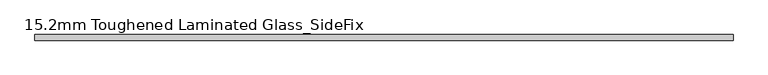
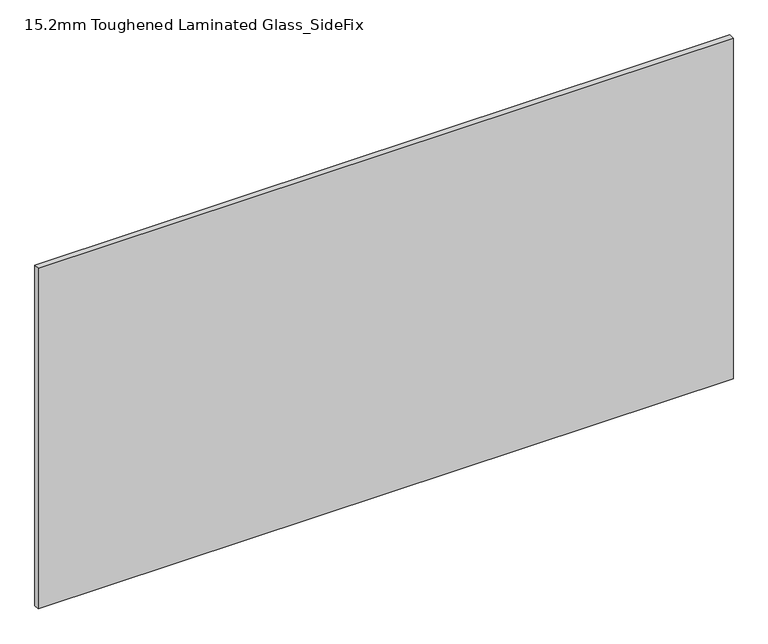
"""IFC4 building model written with IfcOpenShell, lengths in millimetres: plate geometry, 15.2mm Toughened Laminated Glass_SideFix."""

from ifc_helpers import new_model, si_unit, origin, origin_with_axes, place, context, project, spatial, polyline, outline, extrude, source, transform, mapped, element, save


def plate_15_2mm_toughened_laminated_glass_sidefix_f5e7c9a7(model_context):
    return source(origin(), model_context, "Body", "SweptSolid", [
        extrude(outline(polyline([(945.0000001, -24.4), (945.0000001, -39.6), (-945.0000001, -39.6), (-945.0000001, -24.4), (945.0000001, -24.4)])), origin_with_axes(), (0.0, 0.0, 1.0), 979.0),
    ])


if __name__ == "__main__":
    model = new_model("IFC4")
    model_context = context("Model", 3, world=origin())
    ifc_project = project(units=[si_unit("LENGTHUNIT", "METRE", prefix="MILLI")], contexts=[model_context])
    site = spatial("IfcSite", under=ifc_project)
    building = spatial("IfcBuilding", under=site)
    placement = place(None, origin())
    plate_15_2mm_toughened_laminated_glass_sidefix_shape = plate_15_2mm_toughened_laminated_glass_sidefix_f5e7c9a7(model_context)
    element("IfcPlate", 1, ObjectType="15.2mm Toughened Laminated Glass_SideFix", at=placement, inside=building, context=model_context, shape_type="MappedRepresentation", body=[
        mapped(plate_15_2mm_toughened_laminated_glass_sidefix_shape, transform((0.0, 0.0, 0.0), x_axis=(1.0, 0.0, 0.0), y_axis=(0.0, 1.0, 0.0), z_axis=(0.0, 0.0, 1.0))),
    ])
    save(model, "model.ifc")
